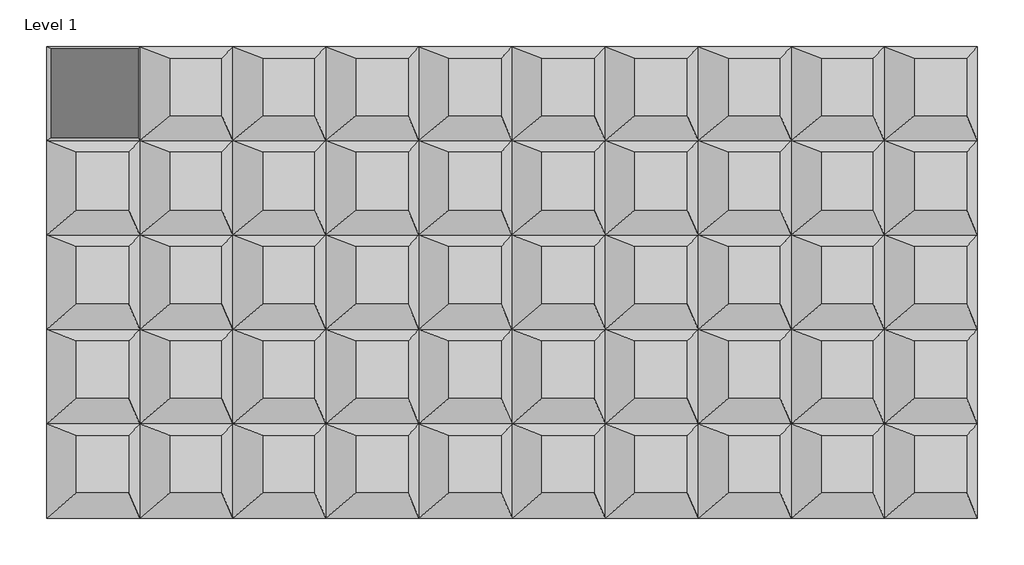
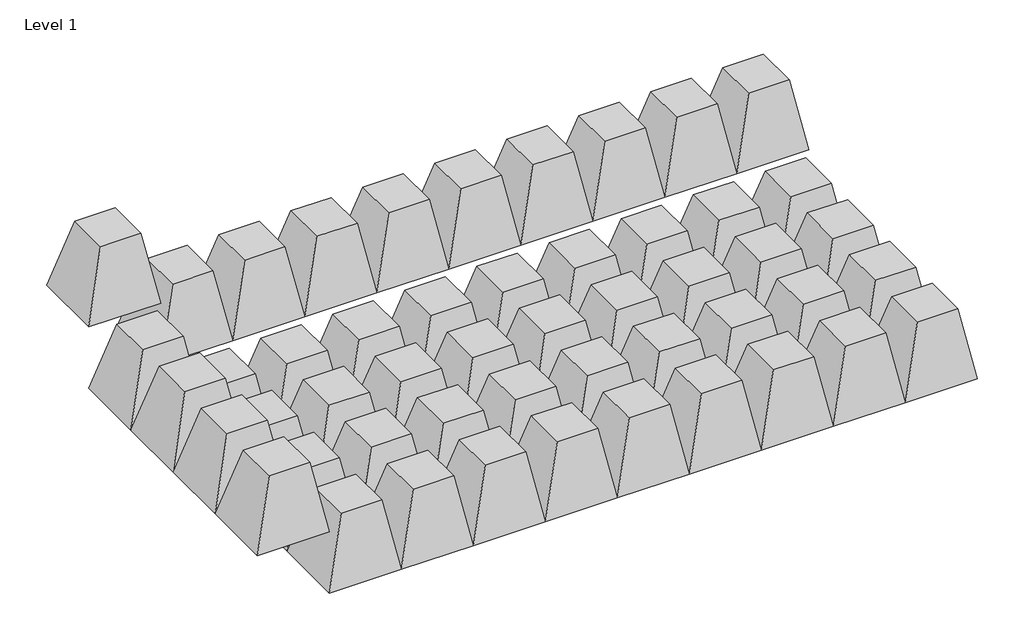
# One storey: 50 proxies.
"""IFC4 building model written with IfcOpenShell, lengths in millimetres."""

from ifc_helpers import new_model, si_unit, origin, place, context, project, spatial, faceted_brep, element, save

model = new_model("IFC4")

# Units and contexts
model_context = context("Model", 3, world=origin())
ifc_project = project(units=[si_unit("LENGTHUNIT", "METRE", prefix="MILLI")], contexts=[model_context])

# Site, building, storey
site = spatial("IfcSite", under=ifc_project)
building = spatial("IfcBuilding", under=site)
storey = spatial("IfcBuildingStorey", under=building, Name="Level 1", Elevation=0.0)

# Proxies
placement = place(None, origin())
element("IfcBuildingElementProxy", 1, Name="Diamond_tmp", ObjectType="Diamond_tmp", at=placement, inside=storey, context=model_context, shape_type="Brep", body=[
    faceted_brep([(-10733.1891591, 3336.694281, 0.0), (-20724.7809844, 3336.694281, 0.0), (-17519.2956315, 2100.6334266, 9000.0), (-11902.5314098, 2100.6334266, 9000.0), (-20724.7809844, -6796.4529205, 0.0), (-17519.2956315, -4077.3934473, 9000.0), (-10733.1891591, -6796.4529205, 0.0), (-11902.5314098, -4077.3934473, 9000.0)], [[[0, 1, 2, 3]], [[1, 4, 5, 2]], [[4, 6, 7, 5]], [[6, 0, 3, 7]], [[5, 7, 3, 2]], [[0, 6, 4, 1]]]),
])
element("IfcBuildingElementProxy", 2, Name="Diamond_tmp", ObjectType="Diamond_tmp", at=placement, inside=storey, context=model_context, shape_type="Brep", body=[
    faceted_brep([(-741.5973338, 3336.694281, -9000.0), (-10733.1891591, 3336.694281, -9000.0), (-7527.7038062, 2100.6334266, 0.0), (-1910.9395845, 2100.6334266, 0.0), (-10733.1891591, -6796.4529205, -9000.0), (-7527.7038062, -4077.3934473, 0.0), (-741.5973338, -6796.4529205, -9000.0), (-1910.9395845, -4077.3934473, 0.0)], [[[0, 1, 2, 3]], [[1, 4, 5, 2]], [[4, 6, 7, 5]], [[6, 0, 3, 7]], [[5, 7, 3, 2]], [[0, 6, 4, 1]]]),
])
element("IfcBuildingElementProxy", 3, Name="Diamond_tmp", ObjectType="Diamond_tmp", at=placement, inside=storey, context=model_context, shape_type="Brep", body=[
    faceted_brep([(9249.9944915, 3336.694281, -9000.0), (-741.5973338, 3336.694281, -9000.0), (2463.8880191, 2100.6334266, 0.0), (8080.6522409, 2100.6334266, 0.0), (-741.5973338, -6796.4529205, -9000.0), (2463.8880191, -4077.3934473, 0.0), (9249.9944915, -6796.4529205, -9000.0), (8080.6522409, -4077.3934473, 0.0)], [[[0, 1, 2, 3]], [[1, 4, 5, 2]], [[4, 6, 7, 5]], [[6, 0, 3, 7]], [[5, 7, 3, 2]], [[0, 6, 4, 1]]]),
])
element("IfcBuildingElementProxy", 4, Name="Diamond_tmp", ObjectType="Diamond_tmp", at=placement, inside=storey, context=model_context, shape_type="Brep", body=[
    faceted_brep([(19241.5863169, 3336.694281, -9000.0), (9249.9944915, 3336.694281, -9000.0), (12455.4798444, 2100.6334266, 0.0), (18072.2440662, 2100.6334266, 0.0), (9249.9944915, -6796.4529205, -9000.0), (12455.4798444, -4077.3934473, 0.0), (19241.5863169, -6796.4529205, -9000.0), (18072.2440662, -4077.3934473, 0.0)], [[[0, 1, 2, 3]], [[1, 4, 5, 2]], [[4, 6, 7, 5]], [[6, 0, 3, 7]], [[5, 7, 3, 2]], [[0, 6, 4, 1]]]),
])
element("IfcBuildingElementProxy", 5, Name="Diamond_tmp", ObjectType="Diamond_tmp", at=placement, inside=storey, context=model_context, shape_type="Brep", body=[
    faceted_brep([(29233.1781422, 3336.694281, -9000.0), (19241.5863169, 3336.694281, -9000.0), (22447.0716698, 2100.6334266, 0.0), (28063.8358915, 2100.6334266, 0.0), (19241.5863169, -6796.4529205, -9000.0), (22447.0716698, -4077.3934473, 0.0), (29233.1781422, -6796.4529205, -9000.0), (28063.8358915, -4077.3934473, 0.0)], [[[0, 1, 2, 3]], [[1, 4, 5, 2]], [[4, 6, 7, 5]], [[6, 0, 3, 7]], [[5, 7, 3, 2]], [[0, 6, 4, 1]]]),
])
element("IfcBuildingElementProxy", 6, Name="Diamond_tmp", ObjectType="Diamond_tmp", at=placement, inside=storey, context=model_context, shape_type="Brep", body=[
    faceted_brep([(39224.7699675, 3336.694281, -9000.0), (29233.1781422, 3336.694281, -9000.0), (32438.6634951, 2100.6334266, 0.0), (38055.4277168, 2100.6334266, 0.0), (29233.1781422, -6796.4529205, -9000.0), (32438.6634951, -4077.3934473, 0.0), (39224.7699675, -6796.4529205, -9000.0), (38055.4277168, -4077.3934473, 0.0)], [[[0, 1, 2, 3]], [[1, 4, 5, 2]], [[4, 6, 7, 5]], [[6, 0, 3, 7]], [[5, 7, 3, 2]], [[0, 6, 4, 1]]]),
])
element("IfcBuildingElementProxy", 7, Name="Diamond_tmp", ObjectType="Diamond_tmp", at=placement, inside=storey, context=model_context, shape_type="Brep", body=[
    faceted_brep([(49216.3617928, 3336.694281, -9000.0), (39224.7699675, 3336.694281, -9000.0), (42430.2553204, 2100.6334266, 0.0), (48047.0195421, 2100.6334266, 0.0), (39224.7699675, -6796.4529205, -9000.0), (42430.2553204, -4077.3934473, 0.0), (49216.3617928, -6796.4529205, -9000.0), (48047.0195421, -4077.3934473, 0.0)], [[[0, 1, 2, 3]], [[1, 4, 5, 2]], [[4, 6, 7, 5]], [[6, 0, 3, 7]], [[5, 7, 3, 2]], [[0, 6, 4, 1]]]),
])
element("IfcBuildingElementProxy", 8, Name="Diamond_tmp", ObjectType="Diamond_tmp", at=placement, inside=storey, context=model_context, shape_type="Brep", body=[
    faceted_brep([(59207.9536181, 3336.694281, -9000.0), (49216.3617928, 3336.694281, -9000.0), (52421.8471457, 2100.6334266, 0.0), (58038.6113674, 2100.6334266, 0.0), (49216.3617928, -6796.4529205, -9000.0), (52421.8471457, -4077.3934473, 0.0), (59207.9536181, -6796.4529205, -9000.0), (58038.6113674, -4077.3934473, 0.0)], [[[0, 1, 2, 3]], [[1, 4, 5, 2]], [[4, 6, 7, 5]], [[6, 0, 3, 7]], [[5, 7, 3, 2]], [[0, 6, 4, 1]]]),
])
element("IfcBuildingElementProxy", 9, Name="Diamond_tmp", ObjectType="Diamond_tmp", at=placement, inside=storey, context=model_context, shape_type="Brep", body=[
    faceted_brep([(69199.5454435, 3336.694281, -9000.0), (59207.9536181, 3336.694281, -9000.0), (62413.438971, 2100.6334266, 0.0), (68030.2031928, 2100.6334266, 0.0), (59207.9536181, -6796.4529205, -9000.0), (62413.438971, -4077.3934473, 0.0), (69199.5454435, -6796.4529205, -9000.0), (68030.2031928, -4077.3934473, 0.0)], [[[0, 1, 2, 3]], [[1, 4, 5, 2]], [[4, 6, 7, 5]], [[6, 0, 3, 7]], [[5, 7, 3, 2]], [[0, 6, 4, 1]]]),
])
element("IfcBuildingElementProxy", 10, Name="Diamond_tmp", ObjectType="Diamond_tmp", at=placement, inside=storey, context=model_context, shape_type="Brep", body=[
    faceted_brep([(79191.1372688, 3336.694281, -9000.0), (69199.5454435, 3336.694281, -9000.0), (72405.0307964, 2100.6334266, 0.0), (78021.7950181, 2100.6334266, 0.0), (69199.5454435, -6796.4529205, -9000.0), (72405.0307964, -4077.3934473, 0.0), (79191.1372688, -6796.4529205, -9000.0), (78021.7950181, -4077.3934473, 0.0)], [[[0, 1, 2, 3]], [[1, 4, 5, 2]], [[4, 6, 7, 5]], [[6, 0, 3, 7]], [[5, 7, 3, 2]], [[0, 6, 4, 1]]]),
])
element("IfcBuildingElementProxy", 11, Name="Diamond_tmp", ObjectType="Diamond_tmp", at=placement, inside=storey, context=model_context, shape_type="Brep", body=[
    faceted_brep([(-10733.1891591, -6796.4529205, -9000.0), (-20724.7809844, -6796.4529205, -9000.0), (-17519.2956315, -8032.5137749, 0.0), (-11902.5314098, -8032.5137749, 0.0), (-20724.7809844, -16929.600122, -9000.0), (-17519.2956315, -14210.5406488, 0.0), (-10733.1891591, -16929.600122, -9000.0), (-11902.5314098, -14210.5406488, 0.0)], [[[0, 1, 2, 3]], [[1, 4, 5, 2]], [[4, 6, 7, 5]], [[6, 0, 3, 7]], [[5, 7, 3, 2]], [[0, 6, 4, 1]]]),
])
element("IfcBuildingElementProxy", 12, Name="Diamond_tmp", ObjectType="Diamond_tmp", at=placement, inside=storey, context=model_context, shape_type="Brep", body=[
    faceted_brep([(-741.5973338, -6796.4529205, -18000.0), (-10733.1891591, -6796.4529205, -18000.0), (-7527.7038062, -8032.5137749, -9000.0), (-1910.9395845, -8032.5137749, -9000.0), (-10733.1891591, -16929.600122, -18000.0), (-7527.7038062, -14210.5406488, -9000.0), (-741.5973338, -16929.600122, -18000.0), (-1910.9395845, -14210.5406488, -9000.0)], [[[0, 1, 2, 3]], [[1, 4, 5, 2]], [[4, 6, 7, 5]], [[6, 0, 3, 7]], [[5, 7, 3, 2]], [[0, 6, 4, 1]]]),
])
element("IfcBuildingElementProxy", 13, Name="Diamond_tmp", ObjectType="Diamond_tmp", at=placement, inside=storey, context=model_context, shape_type="Brep", body=[
    faceted_brep([(9249.9944915, -6796.4529205, -18000.0), (-741.5973338, -6796.4529205, -18000.0), (2463.8880191, -8032.5137749, -9000.0), (8080.6522409, -8032.5137749, -9000.0), (-741.5973338, -16929.600122, -18000.0), (2463.8880191, -14210.5406488, -9000.0), (9249.9944915, -16929.600122, -18000.0), (8080.6522409, -14210.5406488, -9000.0)], [[[0, 1, 2, 3]], [[1, 4, 5, 2]], [[4, 6, 7, 5]], [[6, 0, 3, 7]], [[5, 7, 3, 2]], [[0, 6, 4, 1]]]),
])
element("IfcBuildingElementProxy", 14, Name="Diamond_tmp", ObjectType="Diamond_tmp", at=placement, inside=storey, context=model_context, shape_type="Brep", body=[
    faceted_brep([(19241.5863169, -6796.4529205, -18000.0), (9249.9944915, -6796.4529205, -18000.0), (12455.4798444, -8032.5137749, -9000.0), (18072.2440662, -8032.5137749, -9000.0), (9249.9944915, -16929.600122, -18000.0), (12455.4798444, -14210.5406488, -9000.0), (19241.5863169, -16929.600122, -18000.0), (18072.2440662, -14210.5406488, -9000.0)], [[[0, 1, 2, 3]], [[1, 4, 5, 2]], [[4, 6, 7, 5]], [[6, 0, 3, 7]], [[5, 7, 3, 2]], [[0, 6, 4, 1]]]),
])
element("IfcBuildingElementProxy", 15, Name="Diamond_tmp", ObjectType="Diamond_tmp", at=placement, inside=storey, context=model_context, shape_type="Brep", body=[
    faceted_brep([(29233.1781422, -6796.4529205, -18000.0), (19241.5863169, -6796.4529205, -18000.0), (22447.0716698, -8032.5137749, -9000.0), (28063.8358915, -8032.5137749, -9000.0), (19241.5863169, -16929.600122, -18000.0), (22447.0716698, -14210.5406488, -9000.0), (29233.1781422, -16929.600122, -18000.0), (28063.8358915, -14210.5406488, -9000.0)], [[[0, 1, 2, 3]], [[1, 4, 5, 2]], [[4, 6, 7, 5]], [[6, 0, 3, 7]], [[5, 7, 3, 2]], [[0, 6, 4, 1]]]),
])
element("IfcBuildingElementProxy", 16, Name="Diamond_tmp", ObjectType="Diamond_tmp", at=placement, inside=storey, context=model_context, shape_type="Brep", body=[
    faceted_brep([(39224.7699675, -6796.4529205, -18000.0), (29233.1781422, -6796.4529205, -18000.0), (32438.6634951, -8032.5137749, -9000.0), (38055.4277168, -8032.5137749, -9000.0), (29233.1781422, -16929.600122, -18000.0), (32438.6634951, -14210.5406488, -9000.0), (39224.7699675, -16929.600122, -18000.0), (38055.4277168, -14210.5406488, -9000.0)], [[[0, 1, 2, 3]], [[1, 4, 5, 2]], [[4, 6, 7, 5]], [[6, 0, 3, 7]], [[5, 7, 3, 2]], [[0, 6, 4, 1]]]),
])
element("IfcBuildingElementProxy", 17, Name="Diamond_tmp", ObjectType="Diamond_tmp", at=placement, inside=storey, context=model_context, shape_type="Brep", body=[
    faceted_brep([(49216.3617928, -6796.4529205, -18000.0), (39224.7699675, -6796.4529205, -18000.0), (42430.2553204, -8032.5137749, -9000.0), (48047.0195421, -8032.5137749, -9000.0), (39224.7699675, -16929.600122, -18000.0), (42430.2553204, -14210.5406488, -9000.0), (49216.3617928, -16929.600122, -18000.0), (48047.0195421, -14210.5406488, -9000.0)], [[[0, 1, 2, 3]], [[1, 4, 5, 2]], [[4, 6, 7, 5]], [[6, 0, 3, 7]], [[5, 7, 3, 2]], [[0, 6, 4, 1]]]),
])
element("IfcBuildingElementProxy", 18, Name="Diamond_tmp", ObjectType="Diamond_tmp", at=placement, inside=storey, context=model_context, shape_type="Brep", body=[
    faceted_brep([(59207.9536181, -6796.4529205, -18000.0), (49216.3617928, -6796.4529205, -18000.0), (52421.8471457, -8032.5137749, -9000.0), (58038.6113674, -8032.5137749, -9000.0), (49216.3617928, -16929.600122, -18000.0), (52421.8471457, -14210.5406488, -9000.0), (59207.9536181, -16929.600122, -18000.0), (58038.6113674, -14210.5406488, -9000.0)], [[[0, 1, 2, 3]], [[1, 4, 5, 2]], [[4, 6, 7, 5]], [[6, 0, 3, 7]], [[5, 7, 3, 2]], [[0, 6, 4, 1]]]),
])
element("IfcBuildingElementProxy", 19, Name="Diamond_tmp", ObjectType="Diamond_tmp", at=placement, inside=storey, context=model_context, shape_type="Brep", body=[
    faceted_brep([(69199.5454435, -6796.4529205, -18000.0), (59207.9536181, -6796.4529205, -18000.0), (62413.438971, -8032.5137749, -9000.0), (68030.2031928, -8032.5137749, -9000.0), (59207.9536181, -16929.600122, -18000.0), (62413.438971, -14210.5406488, -9000.0), (69199.5454435, -16929.600122, -18000.0), (68030.2031928, -14210.5406488, -9000.0)], [[[0, 1, 2, 3]], [[1, 4, 5, 2]], [[4, 6, 7, 5]], [[6, 0, 3, 7]], [[5, 7, 3, 2]], [[0, 6, 4, 1]]]),
])
element("IfcBuildingElementProxy", 20, Name="Diamond_tmp", ObjectType="Diamond_tmp", at=placement, inside=storey, context=model_context, shape_type="Brep", body=[
    faceted_brep([(79191.1372688, -6796.4529205, -18000.0), (69199.5454435, -6796.4529205, -18000.0), (72405.0307964, -8032.5137749, -9000.0), (78021.7950181, -8032.5137749, -9000.0), (69199.5454435, -16929.600122, -18000.0), (72405.0307964, -14210.5406488, -9000.0), (79191.1372688, -16929.600122, -18000.0), (78021.7950181, -14210.5406488, -9000.0)], [[[0, 1, 2, 3]], [[1, 4, 5, 2]], [[4, 6, 7, 5]], [[6, 0, 3, 7]], [[5, 7, 3, 2]], [[0, 6, 4, 1]]]),
])
element("IfcBuildingElementProxy", 21, Name="Diamond_tmp", ObjectType="Diamond_tmp", at=placement, inside=storey, context=model_context, shape_type="Brep", body=[
    faceted_brep([(-10733.1891591, -16929.600122, -9000.0), (-20724.7809844, -16929.600122, -9000.0), (-17519.2956315, -18165.6609764, 0.0), (-11902.5314098, -18165.6609764, 0.0), (-20724.7809844, -27062.7473236, -9000.0), (-17519.2956315, -24343.6878503, 0.0), (-10733.1891591, -27062.7473236, -9000.0), (-11902.5314098, -24343.6878503, 0.0)], [[[0, 1, 2, 3]], [[1, 4, 5, 2]], [[4, 6, 7, 5]], [[6, 0, 3, 7]], [[5, 7, 3, 2]], [[0, 6, 4, 1]]]),
])
element("IfcBuildingElementProxy", 22, Name="Diamond_tmp", ObjectType="Diamond_tmp", at=placement, inside=storey, context=model_context, shape_type="Brep", body=[
    faceted_brep([(-741.5973338, -16929.600122, -18000.0), (-10733.1891591, -16929.600122, -18000.0), (-7527.7038062, -18165.6609764, -9000.0), (-1910.9395845, -18165.6609764, -9000.0), (-10733.1891591, -27062.7473236, -18000.0), (-7527.7038062, -24343.6878503, -9000.0), (-741.5973338, -27062.7473236, -18000.0), (-1910.9395845, -24343.6878503, -9000.0)], [[[0, 1, 2, 3]], [[1, 4, 5, 2]], [[4, 6, 7, 5]], [[6, 0, 3, 7]], [[5, 7, 3, 2]], [[0, 6, 4, 1]]]),
])
element("IfcBuildingElementProxy", 23, Name="Diamond_tmp", ObjectType="Diamond_tmp", at=placement, inside=storey, context=model_context, shape_type="Brep", body=[
    faceted_brep([(9249.9944915, -16929.600122, -18000.0), (-741.5973338, -16929.600122, -18000.0), (2463.8880191, -18165.6609764, -9000.0), (8080.6522409, -18165.6609764, -9000.0), (-741.5973338, -27062.7473236, -18000.0), (2463.8880191, -24343.6878503, -9000.0), (9249.9944915, -27062.7473236, -18000.0), (8080.6522409, -24343.6878503, -9000.0)], [[[0, 1, 2, 3]], [[1, 4, 5, 2]], [[4, 6, 7, 5]], [[6, 0, 3, 7]], [[5, 7, 3, 2]], [[0, 6, 4, 1]]]),
])
element("IfcBuildingElementProxy", 24, Name="Diamond_tmp", ObjectType="Diamond_tmp", at=placement, inside=storey, context=model_context, shape_type="Brep", body=[
    faceted_brep([(19241.5863169, -16929.600122, -18000.0), (9249.9944915, -16929.600122, -18000.0), (12455.4798444, -18165.6609764, -9000.0), (18072.2440662, -18165.6609764, -9000.0), (9249.9944915, -27062.7473236, -18000.0), (12455.4798444, -24343.6878503, -9000.0), (19241.5863169, -27062.7473236, -18000.0), (18072.2440662, -24343.6878503, -9000.0)], [[[0, 1, 2, 3]], [[1, 4, 5, 2]], [[4, 6, 7, 5]], [[6, 0, 3, 7]], [[5, 7, 3, 2]], [[0, 6, 4, 1]]]),
])
element("IfcBuildingElementProxy", 25, Name="Diamond_tmp", ObjectType="Diamond_tmp", at=placement, inside=storey, context=model_context, shape_type="Brep", body=[
    faceted_brep([(29233.1781422, -16929.600122, -18000.0), (19241.5863169, -16929.600122, -18000.0), (22447.0716698, -18165.6609764, -9000.0), (28063.8358915, -18165.6609764, -9000.0), (19241.5863169, -27062.7473236, -18000.0), (22447.0716698, -24343.6878503, -9000.0), (29233.1781422, -27062.7473236, -18000.0), (28063.8358915, -24343.6878503, -9000.0)], [[[0, 1, 2, 3]], [[1, 4, 5, 2]], [[4, 6, 7, 5]], [[6, 0, 3, 7]], [[5, 7, 3, 2]], [[0, 6, 4, 1]]]),
])
element("IfcBuildingElementProxy", 26, Name="Diamond_tmp", ObjectType="Diamond_tmp", at=placement, inside=storey, context=model_context, shape_type="Brep", body=[
    faceted_brep([(39224.7699675, -16929.600122, -18000.0), (29233.1781422, -16929.600122, -18000.0), (32438.6634951, -18165.6609764, -9000.0), (38055.4277168, -18165.6609764, -9000.0), (29233.1781422, -27062.7473236, -18000.0), (32438.6634951, -24343.6878503, -9000.0), (39224.7699675, -27062.7473236, -18000.0), (38055.4277168, -24343.6878503, -9000.0)], [[[0, 1, 2, 3]], [[1, 4, 5, 2]], [[4, 6, 7, 5]], [[6, 0, 3, 7]], [[5, 7, 3, 2]], [[0, 6, 4, 1]]]),
])
element("IfcBuildingElementProxy", 27, Name="Diamond_tmp", ObjectType="Diamond_tmp", at=placement, inside=storey, context=model_context, shape_type="Brep", body=[
    faceted_brep([(49216.3617928, -16929.600122, -18000.0), (39224.7699675, -16929.600122, -18000.0), (42430.2553204, -18165.6609764, -9000.0), (48047.0195421, -18165.6609764, -9000.0), (39224.7699675, -27062.7473236, -18000.0), (42430.2553204, -24343.6878503, -9000.0), (49216.3617928, -27062.7473236, -18000.0), (48047.0195421, -24343.6878503, -9000.0)], [[[0, 1, 2, 3]], [[1, 4, 5, 2]], [[4, 6, 7, 5]], [[6, 0, 3, 7]], [[5, 7, 3, 2]], [[0, 6, 4, 1]]]),
])
element("IfcBuildingElementProxy", 28, Name="Diamond_tmp", ObjectType="Diamond_tmp", at=placement, inside=storey, context=model_context, shape_type="Brep", body=[
    faceted_brep([(59207.9536181, -16929.600122, -18000.0), (49216.3617928, -16929.600122, -18000.0), (52421.8471457, -18165.6609764, -9000.0), (58038.6113674, -18165.6609764, -9000.0), (49216.3617928, -27062.7473236, -18000.0), (52421.8471457, -24343.6878503, -9000.0), (59207.9536181, -27062.7473236, -18000.0), (58038.6113674, -24343.6878503, -9000.0)], [[[0, 1, 2, 3]], [[1, 4, 5, 2]], [[4, 6, 7, 5]], [[6, 0, 3, 7]], [[5, 7, 3, 2]], [[0, 6, 4, 1]]]),
])
element("IfcBuildingElementProxy", 29, Name="Diamond_tmp", ObjectType="Diamond_tmp", at=placement, inside=storey, context=model_context, shape_type="Brep", body=[
    faceted_brep([(69199.5454435, -16929.600122, -18000.0), (59207.9536181, -16929.600122, -18000.0), (62413.438971, -18165.6609764, -9000.0), (68030.2031928, -18165.6609764, -9000.0), (59207.9536181, -27062.7473236, -18000.0), (62413.438971, -24343.6878503, -9000.0), (69199.5454435, -27062.7473236, -18000.0), (68030.2031928, -24343.6878503, -9000.0)], [[[0, 1, 2, 3]], [[1, 4, 5, 2]], [[4, 6, 7, 5]], [[6, 0, 3, 7]], [[5, 7, 3, 2]], [[0, 6, 4, 1]]]),
])
element("IfcBuildingElementProxy", 30, Name="Diamond_tmp", ObjectType="Diamond_tmp", at=placement, inside=storey, context=model_context, shape_type="Brep", body=[
    faceted_brep([(79191.1372688, -16929.600122, -18000.0), (69199.5454435, -16929.600122, -18000.0), (72405.0307964, -18165.6609764, -9000.0), (78021.7950181, -18165.6609764, -9000.0), (69199.5454435, -27062.7473236, -18000.0), (72405.0307964, -24343.6878503, -9000.0), (79191.1372688, -27062.7473236, -18000.0), (78021.7950181, -24343.6878503, -9000.0)], [[[0, 1, 2, 3]], [[1, 4, 5, 2]], [[4, 6, 7, 5]], [[6, 0, 3, 7]], [[5, 7, 3, 2]], [[0, 6, 4, 1]]]),
])
element("IfcBuildingElementProxy", 31, Name="Diamond_tmp", ObjectType="Diamond_tmp", at=placement, inside=storey, context=model_context, shape_type="Brep", body=[
    faceted_brep([(-10733.1891591, -27062.7473236, -9000.0), (-20724.7809844, -27062.7473236, -9000.0), (-17519.2956315, -28298.8081779, 0.0), (-11902.5314098, -28298.8081779, 0.0), (-20724.7809844, -37195.8945251, -9000.0), (-17519.2956315, -34476.8350518, 0.0), (-10733.1891591, -37195.8945251, -9000.0), (-11902.5314098, -34476.8350518, 0.0)], [[[0, 1, 2, 3]], [[1, 4, 5, 2]], [[4, 6, 7, 5]], [[6, 0, 3, 7]], [[5, 7, 3, 2]], [[0, 6, 4, 1]]]),
])
element("IfcBuildingElementProxy", 32, Name="Diamond_tmp", ObjectType="Diamond_tmp", at=placement, inside=storey, context=model_context, shape_type="Brep", body=[
    faceted_brep([(-741.5973338, -27062.7473236, -18000.0), (-10733.1891591, -27062.7473236, -18000.0), (-7527.7038062, -28298.8081779, -9000.0), (-1910.9395845, -28298.8081779, -9000.0), (-10733.1891591, -37195.8945251, -18000.0), (-7527.7038062, -34476.8350518, -9000.0), (-741.5973338, -37195.8945251, -18000.0), (-1910.9395845, -34476.8350518, -9000.0)], [[[0, 1, 2, 3]], [[1, 4, 5, 2]], [[4, 6, 7, 5]], [[6, 0, 3, 7]], [[5, 7, 3, 2]], [[0, 6, 4, 1]]]),
])
element("IfcBuildingElementProxy", 33, Name="Diamond_tmp", ObjectType="Diamond_tmp", at=placement, inside=storey, context=model_context, shape_type="Brep", body=[
    faceted_brep([(9249.9944915, -27062.7473236, -18000.0), (-741.5973338, -27062.7473236, -18000.0), (2463.8880191, -28298.8081779, -9000.0), (8080.6522409, -28298.8081779, -9000.0), (-741.5973338, -37195.8945251, -18000.0), (2463.8880191, -34476.8350518, -9000.0), (9249.9944915, -37195.8945251, -18000.0), (8080.6522409, -34476.8350518, -9000.0)], [[[0, 1, 2, 3]], [[1, 4, 5, 2]], [[4, 6, 7, 5]], [[6, 0, 3, 7]], [[5, 7, 3, 2]], [[0, 6, 4, 1]]]),
])
element("IfcBuildingElementProxy", 34, Name="Diamond_tmp", ObjectType="Diamond_tmp", at=placement, inside=storey, context=model_context, shape_type="Brep", body=[
    faceted_brep([(19241.5863169, -27062.7473236, -18000.0), (9249.9944915, -27062.7473236, -18000.0), (12455.4798444, -28298.8081779, -9000.0), (18072.2440662, -28298.8081779, -9000.0), (9249.9944915, -37195.8945251, -18000.0), (12455.4798444, -34476.8350518, -9000.0), (19241.5863169, -37195.8945251, -18000.0), (18072.2440662, -34476.8350518, -9000.0)], [[[0, 1, 2, 3]], [[1, 4, 5, 2]], [[4, 6, 7, 5]], [[6, 0, 3, 7]], [[5, 7, 3, 2]], [[0, 6, 4, 1]]]),
])
element("IfcBuildingElementProxy", 35, Name="Diamond_tmp", ObjectType="Diamond_tmp", at=placement, inside=storey, context=model_context, shape_type="Brep", body=[
    faceted_brep([(29233.1781422, -27062.7473236, -18000.0), (19241.5863169, -27062.7473236, -18000.0), (22447.0716698, -28298.8081779, -9000.0), (28063.8358915, -28298.8081779, -9000.0), (19241.5863169, -37195.8945251, -18000.0), (22447.0716698, -34476.8350518, -9000.0), (29233.1781422, -37195.8945251, -18000.0), (28063.8358915, -34476.8350518, -9000.0)], [[[0, 1, 2, 3]], [[1, 4, 5, 2]], [[4, 6, 7, 5]], [[6, 0, 3, 7]], [[5, 7, 3, 2]], [[0, 6, 4, 1]]]),
])
element("IfcBuildingElementProxy", 36, Name="Diamond_tmp", ObjectType="Diamond_tmp", at=placement, inside=storey, context=model_context, shape_type="Brep", body=[
    faceted_brep([(39224.7699675, -27062.7473236, -18000.0), (29233.1781422, -27062.7473236, -18000.0), (32438.6634951, -28298.8081779, -9000.0), (38055.4277168, -28298.8081779, -9000.0), (29233.1781422, -37195.8945251, -18000.0), (32438.6634951, -34476.8350518, -9000.0), (39224.7699675, -37195.8945251, -18000.0), (38055.4277168, -34476.8350518, -9000.0)], [[[0, 1, 2, 3]], [[1, 4, 5, 2]], [[4, 6, 7, 5]], [[6, 0, 3, 7]], [[5, 7, 3, 2]], [[0, 6, 4, 1]]]),
])
element("IfcBuildingElementProxy", 37, Name="Diamond_tmp", ObjectType="Diamond_tmp", at=placement, inside=storey, context=model_context, shape_type="Brep", body=[
    faceted_brep([(49216.3617928, -27062.7473236, -18000.0), (39224.7699675, -27062.7473236, -18000.0), (42430.2553204, -28298.8081779, -9000.0), (48047.0195421, -28298.8081779, -9000.0), (39224.7699675, -37195.8945251, -18000.0), (42430.2553204, -34476.8350518, -9000.0), (49216.3617928, -37195.8945251, -18000.0), (48047.0195421, -34476.8350518, -9000.0)], [[[0, 1, 2, 3]], [[1, 4, 5, 2]], [[4, 6, 7, 5]], [[6, 0, 3, 7]], [[5, 7, 3, 2]], [[0, 6, 4, 1]]]),
])
element("IfcBuildingElementProxy", 38, Name="Diamond_tmp", ObjectType="Diamond_tmp", at=placement, inside=storey, context=model_context, shape_type="Brep", body=[
    faceted_brep([(59207.9536181, -27062.7473236, -18000.0), (49216.3617928, -27062.7473236, -18000.0), (52421.8471457, -28298.8081779, -9000.0), (58038.6113674, -28298.8081779, -9000.0), (49216.3617928, -37195.8945251, -18000.0), (52421.8471457, -34476.8350518, -9000.0), (59207.9536181, -37195.8945251, -18000.0), (58038.6113674, -34476.8350518, -9000.0)], [[[0, 1, 2, 3]], [[1, 4, 5, 2]], [[4, 6, 7, 5]], [[6, 0, 3, 7]], [[5, 7, 3, 2]], [[0, 6, 4, 1]]]),
])
element("IfcBuildingElementProxy", 39, Name="Diamond_tmp", ObjectType="Diamond_tmp", at=placement, inside=storey, context=model_context, shape_type="Brep", body=[
    faceted_brep([(69199.5454435, -27062.7473236, -18000.0), (59207.9536181, -27062.7473236, -18000.0), (62413.438971, -28298.8081779, -9000.0), (68030.2031928, -28298.8081779, -9000.0), (59207.9536181, -37195.8945251, -18000.0), (62413.438971, -34476.8350518, -9000.0), (69199.5454435, -37195.8945251, -18000.0), (68030.2031928, -34476.8350518, -9000.0)], [[[0, 1, 2, 3]], [[1, 4, 5, 2]], [[4, 6, 7, 5]], [[6, 0, 3, 7]], [[5, 7, 3, 2]], [[0, 6, 4, 1]]]),
])
element("IfcBuildingElementProxy", 40, Name="Diamond_tmp", ObjectType="Diamond_tmp", at=placement, inside=storey, context=model_context, shape_type="Brep", body=[
    faceted_brep([(79191.1372688, -27062.7473236, -18000.0), (69199.5454435, -27062.7473236, -18000.0), (72405.0307964, -28298.8081779, -9000.0), (78021.7950181, -28298.8081779, -9000.0), (69199.5454435, -37195.8945251, -18000.0), (72405.0307964, -34476.8350518, -9000.0), (79191.1372688, -37195.8945251, -18000.0), (78021.7950181, -34476.8350518, -9000.0)], [[[0, 1, 2, 3]], [[1, 4, 5, 2]], [[4, 6, 7, 5]], [[6, 0, 3, 7]], [[5, 7, 3, 2]], [[0, 6, 4, 1]]]),
])
element("IfcBuildingElementProxy", 41, Name="Diamond_tmp", ObjectType="Diamond_tmp", at=placement, inside=storey, context=model_context, shape_type="Brep", body=[
    faceted_brep([(-10733.1891591, -37195.8945251, -9000.0), (-20724.7809844, -37195.8945251, -9000.0), (-17519.2956315, -38431.9553794, 0.0), (-11902.5314098, -38431.9553794, 0.0), (-20724.7809844, -47329.0417266, -9000.0), (-17519.2956315, -44609.9822533, 0.0), (-10733.1891591, -47329.0417266, -9000.0), (-11902.5314098, -44609.9822533, 0.0)], [[[0, 1, 2, 3]], [[1, 4, 5, 2]], [[4, 6, 7, 5]], [[6, 0, 3, 7]], [[5, 7, 3, 2]], [[0, 6, 4, 1]]]),
])
element("IfcBuildingElementProxy", 42, Name="Diamond_tmp", ObjectType="Diamond_tmp", at=placement, inside=storey, context=model_context, shape_type="Brep", body=[
    faceted_brep([(-741.5973338, -37195.8945251, -18000.0), (-10733.1891591, -37195.8945251, -18000.0), (-7527.7038062, -38431.9553794, -9000.0), (-1910.9395845, -38431.9553794, -9000.0), (-10733.1891591, -47329.0417266, -18000.0), (-7527.7038062, -44609.9822533, -9000.0), (-741.5973338, -47329.0417266, -18000.0), (-1910.9395845, -44609.9822533, -9000.0)], [[[0, 1, 2, 3]], [[1, 4, 5, 2]], [[4, 6, 7, 5]], [[6, 0, 3, 7]], [[5, 7, 3, 2]], [[0, 6, 4, 1]]]),
])
element("IfcBuildingElementProxy", 43, Name="Diamond_tmp", ObjectType="Diamond_tmp", at=placement, inside=storey, context=model_context, shape_type="Brep", body=[
    faceted_brep([(9249.9944915, -37195.8945251, -18000.0), (-741.5973338, -37195.8945251, -18000.0), (2463.8880191, -38431.9553794, -9000.0), (8080.6522409, -38431.9553794, -9000.0), (-741.5973338, -47329.0417266, -18000.0), (2463.8880191, -44609.9822533, -9000.0), (9249.9944915, -47329.0417266, -18000.0), (8080.6522409, -44609.9822533, -9000.0)], [[[0, 1, 2, 3]], [[1, 4, 5, 2]], [[4, 6, 7, 5]], [[6, 0, 3, 7]], [[5, 7, 3, 2]], [[0, 6, 4, 1]]]),
])
element("IfcBuildingElementProxy", 44, Name="Diamond_tmp", ObjectType="Diamond_tmp", at=placement, inside=storey, context=model_context, shape_type="Brep", body=[
    faceted_brep([(19241.5863169, -37195.8945251, -18000.0), (9249.9944915, -37195.8945251, -18000.0), (12455.4798444, -38431.9553794, -9000.0), (18072.2440662, -38431.9553794, -9000.0), (9249.9944915, -47329.0417266, -18000.0), (12455.4798444, -44609.9822533, -9000.0), (19241.5863169, -47329.0417266, -18000.0), (18072.2440662, -44609.9822533, -9000.0)], [[[0, 1, 2, 3]], [[1, 4, 5, 2]], [[4, 6, 7, 5]], [[6, 0, 3, 7]], [[5, 7, 3, 2]], [[0, 6, 4, 1]]]),
])
element("IfcBuildingElementProxy", 45, Name="Diamond_tmp", ObjectType="Diamond_tmp", at=placement, inside=storey, context=model_context, shape_type="Brep", body=[
    faceted_brep([(29233.1781422, -37195.8945251, -18000.0), (19241.5863169, -37195.8945251, -18000.0), (22447.0716698, -38431.9553794, -9000.0), (28063.8358915, -38431.9553794, -9000.0), (19241.5863169, -47329.0417266, -18000.0), (22447.0716698, -44609.9822533, -9000.0), (29233.1781422, -47329.0417266, -18000.0), (28063.8358915, -44609.9822533, -9000.0)], [[[0, 1, 2, 3]], [[1, 4, 5, 2]], [[4, 6, 7, 5]], [[6, 0, 3, 7]], [[5, 7, 3, 2]], [[0, 6, 4, 1]]]),
])
element("IfcBuildingElementProxy", 46, Name="Diamond_tmp", ObjectType="Diamond_tmp", at=placement, inside=storey, context=model_context, shape_type="Brep", body=[
    faceted_brep([(39224.7699675, -37195.8945251, -18000.0), (29233.1781422, -37195.8945251, -18000.0), (32438.6634951, -38431.9553794, -9000.0), (38055.4277168, -38431.9553794, -9000.0), (29233.1781422, -47329.0417266, -18000.0), (32438.6634951, -44609.9822533, -9000.0), (39224.7699675, -47329.0417266, -18000.0), (38055.4277168, -44609.9822533, -9000.0)], [[[0, 1, 2, 3]], [[1, 4, 5, 2]], [[4, 6, 7, 5]], [[6, 0, 3, 7]], [[5, 7, 3, 2]], [[0, 6, 4, 1]]]),
])
element("IfcBuildingElementProxy", 47, Name="Diamond_tmp", ObjectType="Diamond_tmp", at=placement, inside=storey, context=model_context, shape_type="Brep", body=[
    faceted_brep([(49216.3617928, -37195.8945251, -18000.0), (39224.7699675, -37195.8945251, -18000.0), (42430.2553204, -38431.9553794, -9000.0), (48047.0195421, -38431.9553794, -9000.0), (39224.7699675, -47329.0417266, -18000.0), (42430.2553204, -44609.9822533, -9000.0), (49216.3617928, -47329.0417266, -18000.0), (48047.0195421, -44609.9822533, -9000.0)], [[[0, 1, 2, 3]], [[1, 4, 5, 2]], [[4, 6, 7, 5]], [[6, 0, 3, 7]], [[5, 7, 3, 2]], [[0, 6, 4, 1]]]),
])
element("IfcBuildingElementProxy", 48, Name="Diamond_tmp", ObjectType="Diamond_tmp", at=placement, inside=storey, context=model_context, shape_type="Brep", body=[
    faceted_brep([(59207.9536181, -37195.8945251, -18000.0), (49216.3617928, -37195.8945251, -18000.0), (52421.8471457, -38431.9553794, -9000.0), (58038.6113674, -38431.9553794, -9000.0), (49216.3617928, -47329.0417266, -18000.0), (52421.8471457, -44609.9822533, -9000.0), (59207.9536181, -47329.0417266, -18000.0), (58038.6113674, -44609.9822533, -9000.0)], [[[0, 1, 2, 3]], [[1, 4, 5, 2]], [[4, 6, 7, 5]], [[6, 0, 3, 7]], [[5, 7, 3, 2]], [[0, 6, 4, 1]]]),
])
element("IfcBuildingElementProxy", 49, Name="Diamond_tmp", ObjectType="Diamond_tmp", at=placement, inside=storey, context=model_context, shape_type="Brep", body=[
    faceted_brep([(69199.5454435, -37195.8945251, -18000.0), (59207.9536181, -37195.8945251, -18000.0), (62413.438971, -38431.9553794, -9000.0), (68030.2031928, -38431.9553794, -9000.0), (59207.9536181, -47329.0417266, -18000.0), (62413.438971, -44609.9822533, -9000.0), (69199.5454435, -47329.0417266, -18000.0), (68030.2031928, -44609.9822533, -9000.0)], [[[0, 1, 2, 3]], [[1, 4, 5, 2]], [[4, 6, 7, 5]], [[6, 0, 3, 7]], [[5, 7, 3, 2]], [[0, 6, 4, 1]]]),
])
element("IfcBuildingElementProxy", 50, Name="Diamond_tmp", ObjectType="Diamond_tmp", at=placement, inside=storey, context=model_context, shape_type="Brep", body=[
    faceted_brep([(79191.1372688, -37195.8945251, -18000.0), (69199.5454435, -37195.8945251, -18000.0), (72405.0307964, -38431.9553794, -9000.0), (78021.7950181, -38431.9553794, -9000.0), (69199.5454435, -47329.0417266, -18000.0), (72405.0307964, -44609.9822533, -9000.0), (79191.1372688, -47329.0417266, -18000.0), (78021.7950181, -44609.9822533, -9000.0)], [[[0, 1, 2, 3]], [[1, 4, 5, 2]], [[4, 6, 7, 5]], [[6, 0, 3, 7]], [[5, 7, 3, 2]], [[0, 6, 4, 1]]]),
])

save(model, "model.ifc")
